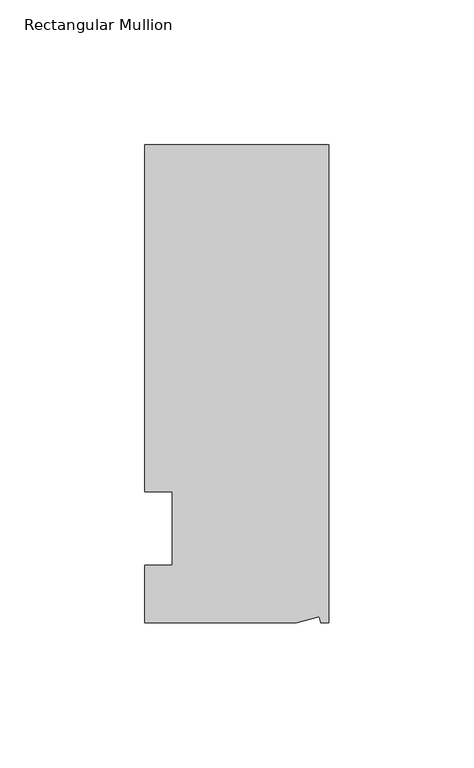
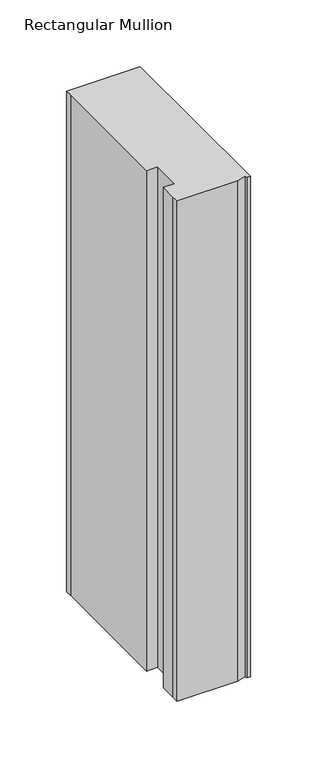
"""IFC4 building model written with IfcOpenShell, lengths in millimetres: member geometry, Rectangular Mullion."""

from ifc_helpers import new_model, si_unit, frame, origin, place, context, project, spatial, polyline, outline, extrude, source, transform, mapped, element, save


def rectangular_mullion_fb09be00(model_context):
    return source(origin(), model_context, "Body", "SweptSolid", [
        extrude(outline(polyline([(0.0, 132.5561012), (0.0, -32.5438988), (-2.7616541, -32.5438988), (-3.3341886, -30.4622958), (-11.121847, -32.5438988), (-63.5, -32.5438988), (-63.5, -26.1938988), (-63.5, -12.5945801), (-53.975, -12.5945801), (-53.975, 12.8054199), (-63.5, 12.8054199), (-63.5, 126.2061012), (-63.5, 132.5561012), (0.0, 132.5561012)])), frame((0.0, 0.0, -457.2), z_axis=(0.0, 0.0, 1.0), x_axis=(1.0, 0.0, 0.0)), (0.0, 0.0, 1.0), 457.2),
    ])


if __name__ == "__main__":
    model = new_model("IFC4")
    model_context = context("Model", 3, world=origin())
    ifc_project = project(units=[si_unit("LENGTHUNIT", "METRE", prefix="MILLI")], contexts=[model_context])
    site = spatial("IfcSite", under=ifc_project)
    building = spatial("IfcBuilding", under=site)
    placement = place(None, origin())
    rectangular_mullion_shape = rectangular_mullion_fb09be00(model_context)
    element("IfcMember", 1, ObjectType="Rectangular Mullion", at=placement, inside=building, context=model_context, shape_type="MappedRepresentation", body=[
        mapped(rectangular_mullion_shape, transform((0.0, 0.0, 0.0), x_axis=(1.0, 0.0, 0.0), y_axis=(0.0, 1.0, 0.0), z_axis=(0.0, 0.0, 1.0))),
    ])
    save(model, "model.ifc")
